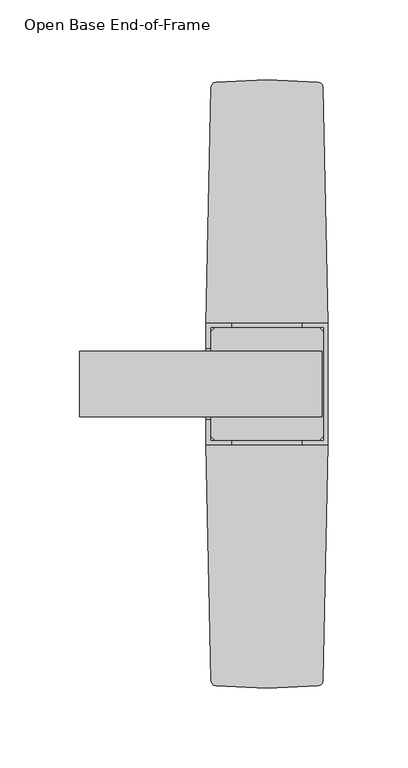
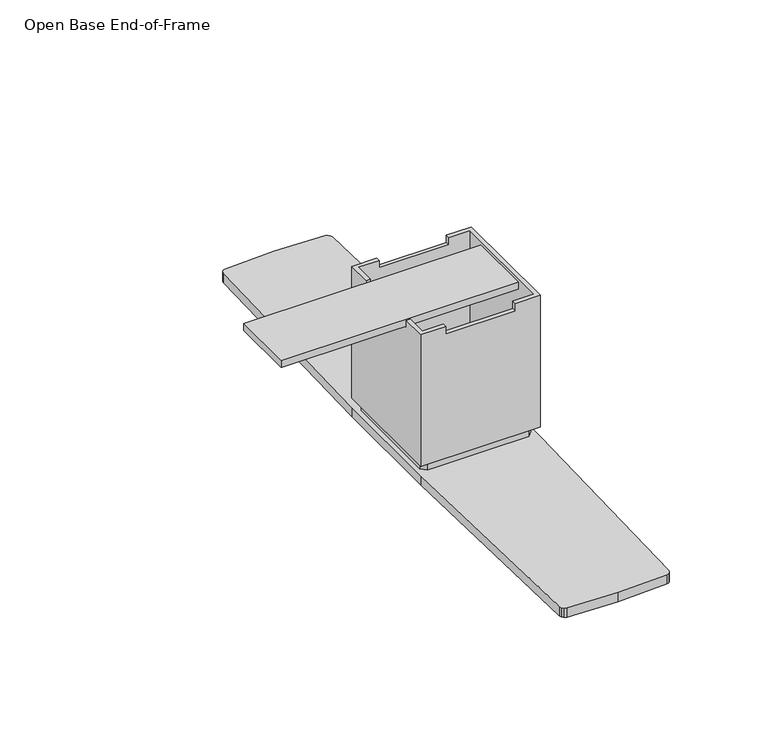
"""IFC4 building model written with IfcOpenShell, lengths in millimetres: furniture geometry, Open Base End-of-Frame."""

import ifcopenshell
import ifcopenshell.guid

model = None  # the IFC model being written
_history = None  # IfcOwnerHistory: only IFC2X3 demands one
_inside = {}  # id of a spatial element -> (the spatial element, [elements in it])
_under = {}  # id of a project, library or spatial element -> (it, [spatial elements below it])
_declared = {}  # id of a project -> (the project, [libraries it declares])
_typed = {}  # id of a type object -> (the type object, [elements of that type])
_made_of = {}  # id of a material, layer set ... -> (it, [elements and type objects made of it])


def new_model(schema):
    """Start an empty IFC model of exactly this schema.

    Asked for "IFC4X3", IfcOpenShell would pick the latest addendum, in which some entities
    have other attributes; the version numbers below select the first issue.
    IFC2X3 requires an IfcOwnerHistory on every rooted entity: one is made here for all.
    """
    global model, _history
    if schema == "IFC4X3":
        model = ifcopenshell.file(schema_version=(4, 3, 0, 0))
    else:
        model = ifcopenshell.file(schema=schema)
    _inside.clear()
    _under.clear()
    _declared.clear()
    _typed.clear()
    _made_of.clear()
    _history = None
    if model.schema == "IFC2X3":
        org = make("IfcOrganization", Name="unknown")
        user = make(
            "IfcPersonAndOrganization",
            ThePerson=make("IfcPerson", FamilyName="unknown"),
            TheOrganization=org,
        )
        app = make(
            "IfcApplication",
            ApplicationDeveloper=org,
            Version="unknown",
            ApplicationFullName="unknown",
            ApplicationIdentifier="unknown",
        )
        _history = make(
            "IfcOwnerHistory",
            OwningUser=user,
            OwningApplication=app,
            ChangeAction="ADDED",
            CreationDate=0,
        )
    return model


def make(cls, **values):
    """One entity of the class cls with the attributes given. An attribute that is None is left unset."""
    return model.create_entity(
        cls, **{name: value for name, value in values.items() if value is not None}
    )


def rooted(cls, **values):
    """An entity with a GlobalId (a new one), such as an element, a storey or a relation."""
    return make(cls, GlobalId=ifcopenshell.guid.new(), OwnerHistory=_history, **values)


def si_unit(unit_type, name, prefix=None):
    """IfcSIUnit, for example si_unit("LENGTHUNIT", "METRE", prefix="MILLI")."""
    return make("IfcSIUnit", UnitType=unit_type, Prefix=prefix, Name=name)


def assignment(units):
    """IfcUnitAssignment: the units of a project."""
    return None if units is None else make("IfcUnitAssignment", Units=units)


def point(xyz):
    """IfcCartesianPoint."""
    return None if xyz is None else make("IfcCartesianPoint", Coordinates=xyz)


def direction(xyz):
    """IfcDirection."""
    return None if xyz is None else make("IfcDirection", DirectionRatios=xyz)


def frame(location, z_axis=None, x_axis=None):
    """IfcAxis2Placement3D, a coordinate frame: its origin and axes. An axis left out is left unset."""
    return make(
        "IfcAxis2Placement3D",
        Location=point(location),
        Axis=direction(z_axis),
        RefDirection=direction(x_axis),
    )


def origin():
    """The frame at (0, 0, 0) with its axes left unset."""
    return frame((0.0, 0.0, 0.0))


def origin_with_axes():
    """The frame at (0, 0, 0) with the z axis (0, 0, 1) and the x axis (1, 0, 0) written out."""
    return frame((0.0, 0.0, 0.0), z_axis=(0.0, 0.0, 1.0), x_axis=(1.0, 0.0, 0.0))


def place(relative_to, where):
    """IfcLocalPlacement: puts the frame where relative to a parent placement (None: the world)."""
    return make(
        "IfcLocalPlacement", PlacementRelTo=relative_to, RelativePlacement=where
    )


def context(
    kind, dimensions, precision=None, world=None, true_north=None, identifier=None
):
    """IfcGeometricRepresentationContext, for example the 3D "Model" context."""
    return make(
        "IfcGeometricRepresentationContext",
        ContextIdentifier=identifier,
        ContextType=kind,
        CoordinateSpaceDimension=dimensions,
        Precision=precision,
        WorldCoordinateSystem=world,
        TrueNorth=true_north,
    )


def project(units=None, contexts=None):
    """IfcProject with its units and contexts."""
    return rooted(
        "IfcProject",
        Name="project",
        RepresentationContexts=contexts,
        UnitsInContext=assignment(units),
    )


def spatial(cls, under=None, at=None, **own):
    """A site, building, storey or space (cls), placed at a placement, below another one or the project."""
    s = rooted(cls, ObjectPlacement=at, **own)
    if under is not None:
        _under.setdefault(under.id(), (under, []))[1].append(s)
    return s


def polyline(points):
    """IfcPolyline through the points."""
    return make("IfcPolyline", Points=[point(p) for p in points])


def outline(outer, holes=None, kind="AREA"):
    """IfcArbitraryClosedProfileDef: a profile drawn as a closed curve; with holes, ...WithVoids."""
    if holes is None:
        return make("IfcArbitraryClosedProfileDef", ProfileType=kind, OuterCurve=outer)
    return make(
        "IfcArbitraryProfileDefWithVoids",
        ProfileType=kind,
        OuterCurve=outer,
        InnerCurves=holes,
    )


def extrude(swept, where, along, depth):
    """IfcExtrudedAreaSolid: the profile swept, set in the frame where, extruded along a direction by depth."""
    return make(
        "IfcExtrudedAreaSolid",
        SweptArea=swept,
        Position=where,
        ExtrudedDirection=direction(along),
        Depth=depth,
    )


def faces_of(points, faces, orient=None, outer=None):
    """IfcFace entities. A face is a list of loops; a loop is a list of indices into points, from 0.

    orient and outer hold one flag for each loop. By default every Orientation is true, the
    first loop of a face is its IfcFaceOuterBound and the others are IfcFaceBound.
    """
    made = []
    for i, loops in enumerate(faces):
        bounds = []
        for j, loop in enumerate(loops):
            is_outer = j == 0 if outer is None else outer[i][j]
            bounds.append(
                make(
                    "IfcFaceOuterBound" if is_outer else "IfcFaceBound",
                    Bound=make("IfcPolyLoop", Polygon=[points[k] for k in loop]),
                    Orientation=True if orient is None else orient[i][j],
                )
            )
        made.append(make("IfcFace", Bounds=bounds))
    return made


def faceted_brep(points, faces, orient=None, outer=None, voids=None):
    """IfcFacetedBrep: a solid bounded by flat faces; with voids (closed shells), ...WithVoids."""
    shared = [point(p) for p in points]
    hull = make("IfcClosedShell", CfsFaces=faces_of(shared, faces, orient, outer))
    if voids is None:
        return make("IfcFacetedBrep", Outer=hull)
    return make(
        "IfcFacetedBrepWithVoids",
        Outer=hull,
        Voids=[
            make(cls, CfsFaces=faces_of(shared, fs, o, b)) for cls, fs, o, b in voids
        ],
    )


def shape(context_of_items, identifier, shape_type, items):
    """IfcShapeRepresentation: the items that make up one representation, for example the "Body"."""
    return make(
        "IfcShapeRepresentation",
        ContextOfItems=context_of_items,
        RepresentationIdentifier=identifier,
        RepresentationType=shape_type,
        Items=items,
    )


def source(mapping_origin, context_of_items, identifier, shape_type, items):
    """IfcRepresentationMap: a shape defined once, which mapped items show again and again."""
    return make(
        "IfcRepresentationMap",
        MappingOrigin=mapping_origin,
        MappedRepresentation=shape(context_of_items, identifier, shape_type, items),
    )


def transform(
    local_origin,
    x_axis=None,
    y_axis=None,
    z_axis=None,
    scale=None,
    scale2=None,
    scale3=None,
    uniform=True,
):
    """IfcCartesianTransformationOperator3D, or its non-uniform kind. x_axis, y_axis, z_axis: its Axis1, 2, 3."""
    if uniform:
        return make(
            "IfcCartesianTransformationOperator3D",
            Axis1=direction(x_axis),
            Axis2=direction(y_axis),
            LocalOrigin=point(local_origin),
            Scale=scale,
            Axis3=direction(z_axis),
        )
    return make(
        "IfcCartesianTransformationOperator3DnonUniform",
        Axis1=direction(x_axis),
        Axis2=direction(y_axis),
        LocalOrigin=point(local_origin),
        Scale=scale,
        Axis3=direction(z_axis),
        Scale2=scale2,
        Scale3=scale3,
    )


def mapped(mapping_source, mapping_target):
    """IfcMappedItem: shows the shape of a source again, moved by a transform."""
    return make(
        "IfcMappedItem", MappingSource=mapping_source, MappingTarget=mapping_target
    )


def made_of(thing, what):
    """Note that an element or type object is made of a material, layer set ...; save() writes the relation."""
    if what is not None:
        _made_of.setdefault(what.id(), (what, []))[1].append(thing)
    return thing


def element(
    cls,
    number,
    at=None,
    inside=None,
    cuts=None,
    type_object=None,
    material=None,
    context=None,
    identifier="Body",
    shape_type=None,
    held_by="IfcProductDefinitionShape",
    body=None,
    shapes=None,
    **own,
):
    """One element of the class cls, such as IfcWall. Its Tag is "e" and its number.

    at: its placement. inside: the storey or other place that contains it. cuts: it is an
    opening in that element (IfcRelVoidsElement). A single representation is given by context,
    identifier, shape_type and body (its items); several are given by shapes. held_by: the class
    of the entity that holds the representations. save() writes the other relations.
    """
    e = rooted(cls, Tag="e%d" % number, ObjectPlacement=at, **own)
    if body is not None:
        shapes = [shape(context, identifier, shape_type, body)]
    if shapes is not None:
        e.Representation = make(held_by, Representations=shapes)
    if inside is not None:
        _inside.setdefault(inside.id(), (inside, []))[1].append(e)
    if cuts is not None:
        rooted(
            "IfcRelVoidsElement", RelatingBuildingElement=cuts, RelatedOpeningElement=e
        )
    if type_object is not None:
        _typed.setdefault(type_object.id(), (type_object, []))[1].append(e)
    return made_of(e, material)


def aggregate(whole, parts):
    """IfcRelAggregates: a whole, such as a stair, and the parts it consists of."""
    return rooted("IfcRelAggregates", RelatingObject=whole, RelatedObjects=parts)


def save(model, path):
    """Write the relations noted so far, then the file.

    IfcRelAggregates (storeys below a building ...), IfcRelContainedInSpatialStructure (elements
    in a storey), IfcRelDefinesByType, IfcRelAssociatesMaterial and IfcRelDeclares: one each for
    every whole, place, type object, material and project.
    """
    for whole, parts in _under.values():
        aggregate(whole, parts)
    for where, things in _inside.values():
        rooted(
            "IfcRelContainedInSpatialStructure",
            RelatedElements=things,
            RelatingStructure=where,
        )
    for kind, things in _typed.values():
        rooted("IfcRelDefinesByType", RelatedObjects=things, RelatingType=kind)
    for what, things in _made_of.values():
        rooted("IfcRelAssociatesMaterial", RelatedObjects=things, RelatingMaterial=what)
    for by, libraries in _declared.values():
        rooted("IfcRelDeclares", RelatingContext=by, RelatedDefinitions=libraries)
    model.write(path)


def open_base_end_of_frame_8590588b(model_context):
    return source(origin(), model_context, "Body", "SolidModel", [
        extrude(outline(polyline([(-146.2659017, -18.4785005), (5.245098, -18.4785005), (5.245098, -59.7535021), (-146.2659017, -59.7535021), (-146.2659017, -18.4785005)])), frame((0.0, 0.0, 96.5962023), z_axis=(0.0, 0.0, 1.0), x_axis=(1.0, 0.0, 0.0)), (0.0, 0.0, 1.0), 4.7498009),
        extrude(outline(polyline([(-28.9814023, 151.1300012), (2.9761024, 149.6773828), (4.4829378, 149.2176361), (5.5832837, 148.0901795), (6.0062275, 146.5726032), (9.1186, -1.0161077), (9.1186, -77.2158913), (6.0062275, -224.8045921), (5.5832837, -226.3221776), (4.4829378, -227.4496342), (2.9761024, -227.9093808), (-28.9814023, -229.3619993), (-60.9389061, -227.9093808), (-62.4457409, -227.4496342), (-63.5460871, -226.3221776), (-63.9690309, -224.8045921), (-67.0814, -77.215999), (-67.0814, -1.016), (-63.9690309, 146.5726032), (-63.5460871, 148.0901795), (-62.4457409, 149.2176361), (-60.9389061, 149.6773828), (-28.9814023, 151.1300012)])), origin_with_axes(), (0.0, 0.0, 1.0), 6.3500002),
        extrude(outline(polyline([(-61.3664009, -3.556), (3.4035978, -3.556), (6.5785979, -6.7309998), (6.5785979, -71.5009999), (3.4035978, -74.6760015), (-61.3664009, -74.6760015), (-64.5414024, -71.5009999), (-64.5414024, -6.7309998), (-61.3664009, -3.556)])), frame((0.0, 0.0, 6.3500002), z_axis=(0.0, 0.0, 1.0), x_axis=(1.0, 0.0, 0.0)), (0.0, 0.0, 1.0), 6.3500002),
        extrude(outline(polyline([(9.1186, -1.016), (9.1186, -77.216), (-67.0814, -77.216), (-67.0814, -1.016), (9.1186, -1.016)])), origin_with_axes(), (0.0, 0.0, 1.0), 6.3500002),
        faceted_brep([(9.1186, -77.216, 101.600003), (9.1186, -1.016, 101.600003), (-6.7564025, -1.016, 101.600003), (-6.7564025, -3.556, 101.600003), (6.5785979, -3.556, 101.600003), (6.5785979, -74.6760015, 101.600003), (-6.7564025, -74.6760015, 101.600003), (-6.7564025, -77.216, 101.600003), (-67.0814, -77.216, 101.600003), (-51.2064015, -77.216, 101.600003), (-51.2064015, -74.6760015, 101.600003), (-64.5414024, -74.6760015, 101.600003), (-64.5414024, -61.3410005, 101.600003), (-67.0814, -61.3410005, 101.600003), (-51.2064015, -1.016, 101.600003), (-67.0814, -1.016, 101.600003), (-67.0814, -16.8909998, 101.600003), (-64.5414024, -16.8909998, 101.600003), (-64.5414024, -3.556, 101.600003), (-51.2064015, -3.556, 101.600003), (9.1186, -1.016, 12.7000004), (9.1186, -77.216, 12.7000004), (-67.0814, -77.216, 12.7000004), (-67.0814, -1.016, 12.7000004), (-64.5414024, -3.556, 12.7000004), (-64.5414024, -74.6760015, 12.7000004), (6.5785979, -74.6760015, 12.7000004), (6.5785979, -3.556, 12.7000004), (-51.2064015, -1.016, 96.5962023), (-6.7564025, -1.016, 96.5962023), (-67.0814, -61.3410005, 96.5962023), (-67.0814, -16.8909998, 96.5962023), (-6.7564025, -77.216, 96.5962023), (-51.2064015, -77.216, 96.5962023), (-6.7564025, -3.556, 96.5962023), (-51.2064015, -3.556, 96.5962023), (-51.2064015, -74.6760015, 96.5962023), (-6.7564025, -74.6760015, 96.5962023), (-64.5414024, -16.8909998, 96.5962023), (-64.5414024, -61.3410005, 96.5962023)], [[[0, 1, 2, 3, 4, 5, 6, 7]], [[8, 9, 10, 11, 12, 13]], [[14, 15, 16, 17, 18, 19]], [[20, 21, 22, 23], [24, 25, 26, 27]], [[20, 23, 15, 14, 28, 29, 2, 1]], [[23, 22, 8, 13, 30, 31, 16, 15]], [[22, 21, 0, 7, 32, 33, 9, 8]], [[1, 0, 21, 20]], [[24, 27, 4, 3, 34, 35, 19, 18]], [[5, 4, 27, 26]], [[26, 25, 11, 10, 36, 37, 6, 5]], [[25, 24, 18, 17, 38, 39, 12, 11]], [[30, 39, 38, 31]], [[39, 30, 13, 12]], [[31, 38, 17, 16]], [[28, 35, 34, 29]], [[36, 33, 32, 37]], [[35, 28, 14, 19]], [[33, 36, 10, 9]], [[29, 34, 3, 2]], [[37, 32, 7, 6]]]),
    ])


if __name__ == "__main__":
    model = new_model("IFC4")
    model_context = context("Model", 3, world=origin())
    ifc_project = project(units=[si_unit("LENGTHUNIT", "METRE", prefix="MILLI")], contexts=[model_context])
    site = spatial("IfcSite", under=ifc_project)
    building = spatial("IfcBuilding", under=site)
    placement = place(None, origin())
    open_base_end_of_frame_shape = open_base_end_of_frame_8590588b(model_context)
    element("IfcFurniture", 1, ObjectType="Open Base End-of-Frame", at=placement, inside=building, context=model_context, shape_type="MappedRepresentation", body=[
        mapped(open_base_end_of_frame_shape, transform((0.0, 0.0, 0.0), x_axis=(1.0, 0.0, 0.0), y_axis=(0.0, 1.0, 0.0), z_axis=(0.0, 0.0, 1.0))),
    ])
    save(model, "model.ifc")
